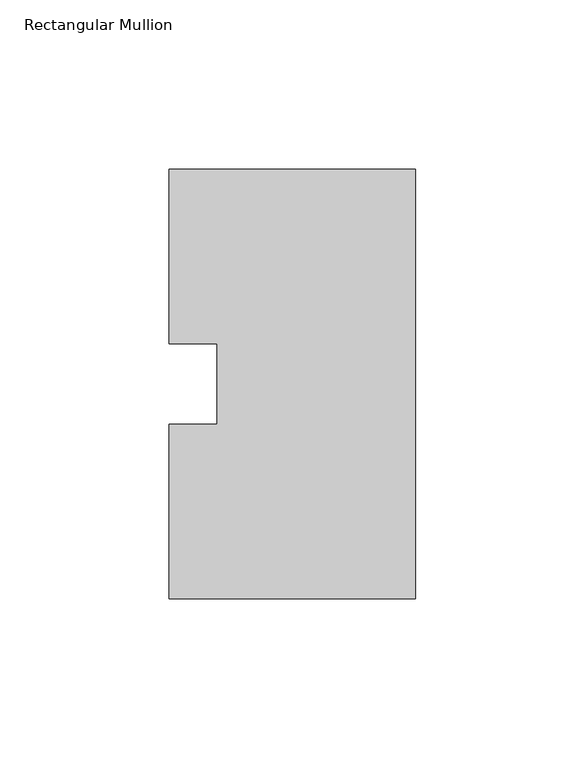
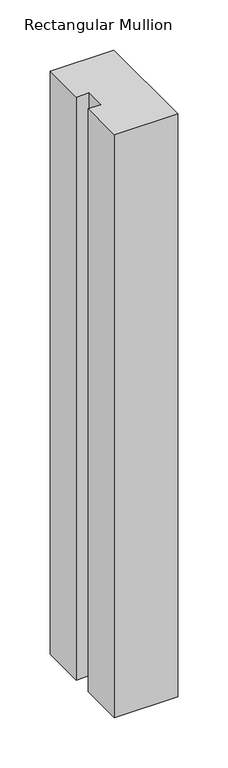
"""IFC4 building model written with IfcOpenShell, lengths in millimetres: member geometry, Rectangular Mullion."""

from ifc_helpers import new_model, si_unit, frame, origin, place, context, project, spatial, polyline, outline, extrude, source, transform, mapped, element, save


def rectangular_mullion_84815c90(model_context):
    return source(origin(), model_context, "Body", "SweptSolid", [
        extrude(outline(polyline([(0.0, 127.00635), (0.0, 0.00635), (-73.025, 0.00635), (-73.025, 51.60645), (-58.7375, 51.60645), (-58.7375, 75.40625), (-73.025, 75.40625), (-73.025, 127.00635), (0.0, 127.00635)])), frame((0.0, 0.0, -708.1184633), z_axis=(0.0, 0.0, 1.0), x_axis=(1.0, 0.0, 0.0)), (0.0, 0.0, 1.0), 708.1184633),
    ])


if __name__ == "__main__":
    model = new_model("IFC4")
    model_context = context("Model", 3, world=origin())
    ifc_project = project(units=[si_unit("LENGTHUNIT", "METRE", prefix="MILLI")], contexts=[model_context])
    site = spatial("IfcSite", under=ifc_project)
    building = spatial("IfcBuilding", under=site)
    placement = place(None, origin())
    rectangular_mullion_shape = rectangular_mullion_84815c90(model_context)
    element("IfcMember", 1, ObjectType="Rectangular Mullion", at=placement, inside=building, context=model_context, shape_type="MappedRepresentation", body=[
        mapped(rectangular_mullion_shape, transform((0.0, 0.0, 0.0), x_axis=(1.0, 0.0, 0.0), y_axis=(0.0, 1.0, 0.0), z_axis=(0.0, 0.0, 1.0))),
    ])
    save(model, "model.ifc")
